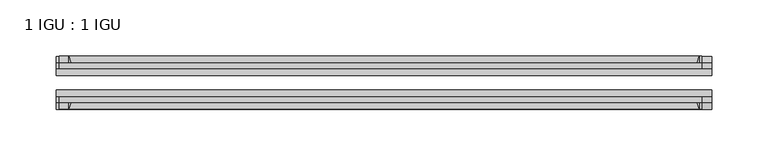
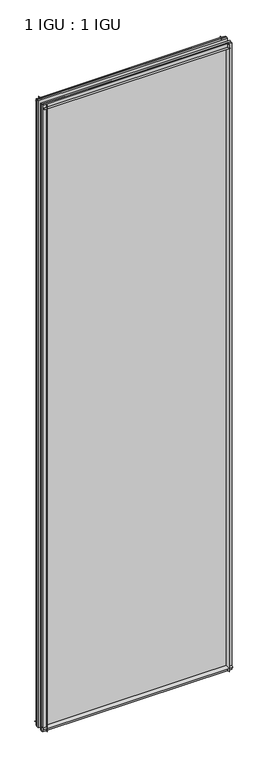
"""IFC4 building model written with IfcOpenShell, lengths in millimetres: plate geometry, 1 IGU : 1 IGU."""

from ifc_helpers import new_model, si_unit, point, frame, frame_2d, origin, place, context, project, spatial, polyline, circle_curve, trimmed, segment, composite_curve, outline, extrude, source, transform, mapped, element, save


def plate_1_igu_1_igu_9d3f79e1(model_context):
    return source(origin(), model_context, "Body", "SweptSolid", [
        extrude(outline(composite_curve([segment(trimmed(circle_curve(frame_2d((-28.0741797, 32.2797688)), 32.7673262), [point((-44.45, 3.8979053))], [point((-33.7058, 1.48e-05))], True, "CARTESIAN"), True, "CONTINUOUS"), segment(polyline([(-33.7058, 1.48e-05), (-39.6748, 1.48e-05), (-39.6748, -10.31875), (-44.45, -10.31875), (-44.45, 3.8979053)]), True, "CONTINUOUS")], self_intersect=False)), frame((-290.5125, 0.0, 0.0), z_axis=(1.0, 0.0, 0.0), x_axis=(0.0, 1.0, 0.0)), (0.0, 0.0, 1.0), 581.025),
        extrude(outline(composite_curve([segment(trimmed(circle_curve(frame_2d((-86.2258203, 32.2797602)), 32.7673262), [point((-80.5942354, 0.0))], [point((-69.85, 3.8978967))], True, "CARTESIAN"), True, "CONTINUOUS"), segment(polyline([(-69.85, 3.8978967), (-69.85, -10.31875), (-74.6252, -10.31875), (-74.6252, 0.0), (-80.5942354, 0.0)]), True, "CONTINUOUS")], self_intersect=False)), frame((-290.5125, 0.0, 0.0), z_axis=(1.0, 0.0, 0.0), x_axis=(0.0, 1.0, 0.0)), (0.0, 0.0, 1.0), 581.025),
        extrude(outline(composite_curve([segment(polyline([(-80.5942, 2008.98125), (-74.6252, 2008.98125), (-74.6252, 2020.09375), (-69.85, 2020.09375), (-69.85, 2005.0833595)]), True, "CONTINUOUS"), segment(trimmed(circle_curve(frame_2d((-86.2258203, 1976.701496)), 32.7673262), [point((-69.85, 2005.0833595))], [point((-80.5942, 2008.98125))], True, "CARTESIAN"), True, "CONTINUOUS")], self_intersect=False)), frame((-287.9127386, 0.0, 0.0), z_axis=(1.0, 0.0, 0.0), x_axis=(0.0, 1.0, 0.0)), (0.0, 0.0, 1.0), 569.8587001),
        extrude(outline(composite_curve([segment(polyline([(-39.6748, 2020.09375), (-39.6748, 2008.98125), (-33.7058, 2008.98125)]), True, "CONTINUOUS"), segment(trimmed(circle_curve(frame_2d((-28.0741797, 1976.701496)), 32.7673262), [point((-33.7058, 2008.98125))], [point((-44.45, 2005.0833595))], True, "CARTESIAN"), True, "CONTINUOUS"), segment(polyline([(-44.45, 2005.0833595), (-44.45, 2020.09375), (-39.6748, 2020.09375)]), True, "CONTINUOUS")], self_intersect=False)), frame((-287.9127386, 0.0, 0.0), z_axis=(1.0, 0.0, 0.0), x_axis=(0.0, 1.0, 0.0)), (0.0, 0.0, 1.0), 569.8587001),
        extrude(outline(composite_curve([segment(polyline([(290.5125, -39.6748), (290.5125, -44.45), (275.5021095, -44.45)]), True, "CONTINUOUS"), segment(trimmed(circle_curve(frame_2d((247.120246, -28.0741797)), 32.7673262), [point((275.5021095, -44.45))], [point((279.4, -33.7058))], True, "CARTESIAN"), True, "CONTINUOUS"), segment(polyline([(279.4, -33.7058), (279.4, -39.6748), (290.5125, -39.6748)]), True, "CONTINUOUS")], self_intersect=False)), frame((0.0, 0.0, -10.31875), z_axis=(0.0, 0.0, 1.0), x_axis=(1.0, 0.0, 0.0)), (0.0, 0.0, 1.0), 2030.4125),
        extrude(outline(composite_curve([segment(polyline([(290.5125, -69.85), (290.5125, -74.6252), (279.4, -74.6252), (279.4, -80.5942)]), True, "CONTINUOUS"), segment(trimmed(circle_curve(frame_2d((247.120246, -86.2258203)), 32.7673262), [point((279.4, -80.5942))], [point((275.5021095, -69.85))], True, "CARTESIAN"), True, "CONTINUOUS"), segment(polyline([(275.5021095, -69.85), (290.5125, -69.85)]), True, "CONTINUOUS")], self_intersect=False)), frame((0.0, 0.0, -10.31875), z_axis=(0.0, 0.0, 1.0), x_axis=(1.0, 0.0, 0.0)), (0.0, 0.0, 1.0), 2030.4125),
        extrude(outline(composite_curve([segment(polyline([(-290.5125, -39.6748), (-279.4, -39.6748), (-279.4, -33.7058)]), True, "CONTINUOUS"), segment(trimmed(circle_curve(frame_2d((-247.120246, -28.0741797)), 32.7673262), [point((-279.4, -33.7058))], [point((-275.5021095, -44.45))], True, "CARTESIAN"), True, "CONTINUOUS"), segment(polyline([(-275.5021095, -44.45), (-290.5125, -44.45), (-290.5125, -39.6748)]), True, "CONTINUOUS")], self_intersect=False)), frame((0.0, 0.0, -10.31875), z_axis=(0.0, 0.0, 1.0), x_axis=(1.0, 0.0, 0.0)), (0.0, 0.0, 1.0), 2030.4125),
        extrude(outline(composite_curve([segment(polyline([(-290.5125, -74.6252), (-290.5125, -69.85), (-275.5021095, -69.85)]), True, "CONTINUOUS"), segment(trimmed(circle_curve(frame_2d((-247.120246, -86.2258203)), 32.7673262), [point((-275.5021095, -69.85))], [point((-279.4, -80.5942))], True, "CARTESIAN"), True, "CONTINUOUS"), segment(polyline([(-279.4, -80.5942), (-279.4, -74.6252), (-290.5125, -74.6252)]), True, "CONTINUOUS")], self_intersect=False)), frame((0.0, 0.0, -10.31875), z_axis=(0.0, 0.0, 1.0), x_axis=(1.0, 0.0, 0.0)), (0.0, 0.0, 1.0), 2030.4125),
        extrude(outline(polyline([(-290.5125, -69.85), (-290.5125, -63.5508), (290.5125, -63.5508), (290.5125, -69.85), (-290.5125, -69.85)])), frame((0.0, 0.0, -10.31875), z_axis=(0.0, 0.0, 1.0), x_axis=(1.0, 0.0, 0.0)), (0.0, 0.0, 1.0), 2030.4125),
        extrude(outline(polyline([(290.5125, -50.7492), (-290.5125, -50.7492), (-290.5125, -44.45), (290.5125, -44.45), (290.5125, -50.7492)])), frame((0.0, 0.0, -10.31875), z_axis=(0.0, 0.0, 1.0), x_axis=(1.0, 0.0, 0.0)), (0.0, 0.0, 1.0), 2030.4125),
    ])


if __name__ == "__main__":
    model = new_model("IFC4")
    model_context = context("Model", 3, world=origin())
    ifc_project = project(units=[si_unit("LENGTHUNIT", "METRE", prefix="MILLI")], contexts=[model_context])
    site = spatial("IfcSite", under=ifc_project)
    building = spatial("IfcBuilding", under=site)
    placement = place(None, origin())
    plate_1_igu_1_igu_shape = plate_1_igu_1_igu_9d3f79e1(model_context)
    element("IfcPlate", 1, ObjectType="1 IGU : 1 IGU", at=placement, inside=building, context=model_context, shape_type="MappedRepresentation", body=[
        mapped(plate_1_igu_1_igu_shape, transform((0.0, 0.0, 0.0), x_axis=(1.0, 0.0, 0.0), y_axis=(0.0, 1.0, 0.0), z_axis=(0.0, 0.0, 1.0))),
    ])
    save(model, "model.ifc")
